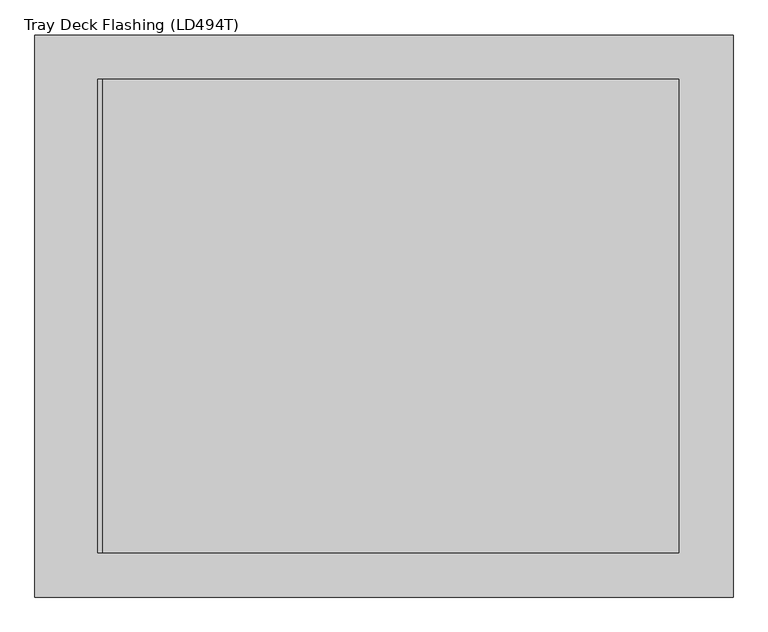
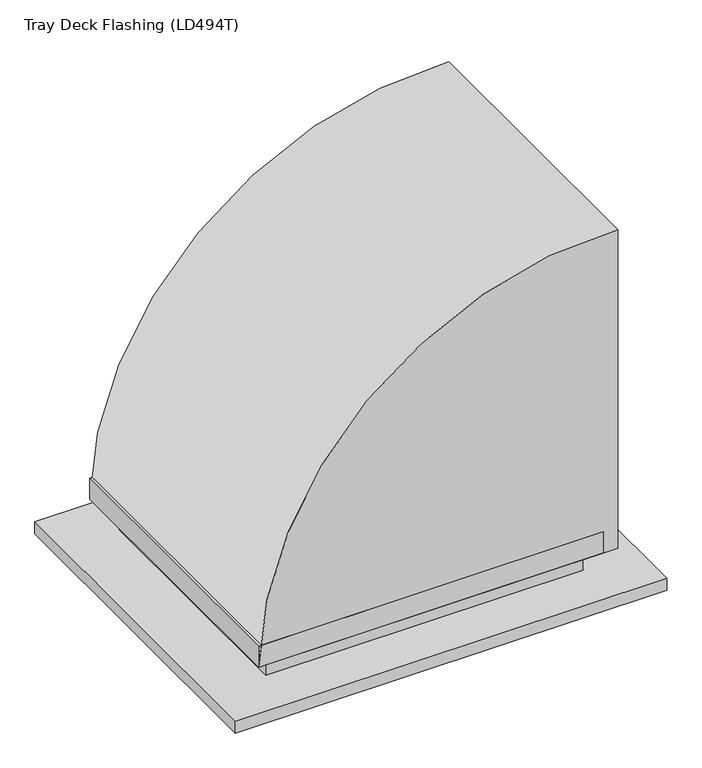
"""IFC4 building model written with IfcOpenShell, lengths in millimetres: proxy geometry, Tray Deck Flashing (LD494T)."""

from ifc_helpers import new_model, si_unit, point, frame, frame_2d, origin, place, context, project, spatial, polyline, circle_curve, trimmed, segment, composite_curve, outline, extrude, faceted_brep, source, transform, mapped, element, save


def tray_deck_flashing_ld494t_aefaeff5(model_context):
    return source(origin(), model_context, "Body", "SolidModel", [
        faceted_brep([(66.0, -362.5, 146.0), (66.0, -362.5, 86.0), (66.0, -1237.5, 86.0), (66.0, -1237.5, 146.0), (91.0, -337.5, 86.0), (91.0, -337.5, 156.0), (91.0, -1262.5, 156.0), (91.0, -1262.5, 86.0), (-974.0, -1237.5, 86.0), (-974.0, -1237.5, 146.0), (-999.0, -1262.5, 156.0), (-999.0, -1262.5, 86.0), (-974.0, -362.5, 86.0), (-974.0, -362.5, 146.0), (-999.0, -337.5, 156.0), (-999.0, -337.5, 86.0)], [[[0, 1, 2, 3]], [[4, 5, 6, 7]], [[3, 2, 8, 9]], [[7, 6, 10, 11]], [[9, 8, 12, 13]], [[11, 10, 14, 15]], [[4, 7, 11, 15], [2, 1, 12, 8]], [[1, 0, 13, 12]], [[0, 3, 9, 13]], [[6, 5, 14, 10]], [[5, 4, 15, 14]]]),
        faceted_brep([(-941.0, -399.0, 134.0), (-941.0, -399.0, 1.0), (-941.0, -1201.0, 1.0), (-941.0, -1201.0, 134.0), (-969.4999872, -370.5000128, 146.0), (-969.4999872, -370.5000128, 134.0), (-969.4999872, -1229.4999872, 134.0), (-969.4999872, -1229.4999872, 146.0), (-940.0, -400.0, 146.0), (-940.0, -1200.0, 146.0), (-940.0, -1200.0, 0.0), (-940.0, -400.0, 0.0), (61.0, -1201.0, 1.0), (61.0, -1201.0, 134.0), (61.0, -1229.4999872, 134.0), (61.0, -1229.4999872, 146.0), (60.0, -1200.0, 0.0), (32.0, -1200.0, 146.0), (32.0, -1200.0, 134.0), (60.0, -1200.0, 134.0), (61.0, -399.0, 134.0), (61.0, -399.0, 1.0), (61.0, -370.5000128, 134.0), (61.0, -370.5000128, 146.0), (32.0, -400.0, 146.0), (60.0, -400.0, 0.0), (60.0, -400.0, 134.0), (32.0, -400.0, 134.0), (242.0, -251.0, 1.0), (-1122.0, -251.0, 1.0), (-1122.0, -1349.0, 1.0), (242.0, -1349.0, 1.0), (241.0, -252.0, 0.0), (241.0, -1348.0, 0.0), (-1121.0, -1348.0, 0.0), (-1121.0, -252.0, 0.0), (242.0, -251.0, -39.0), (-1122.0, -251.0, -39.0), (-1122.0, -1349.0, -39.0), (242.0, -1349.0, -39.0), (241.0, -252.0, -39.0), (-1121.0, -252.0, -39.0), (-1121.0, -1348.0, -39.0), (241.0, -1348.0, -39.0)], [[[0, 1, 2, 3]], [[4, 5, 6, 7]], [[8, 9, 10, 11]], [[3, 2, 12, 13]], [[7, 6, 14, 15]], [[16, 10, 9, 17, 18, 19]], [[20, 21, 1, 0]], [[22, 20, 0, 3, 13, 14, 6, 5]], [[23, 22, 5, 4]], [[4, 7, 15, 23], [9, 8, 24, 17]], [[11, 25, 26, 27, 24, 8]], [[28, 29, 30, 31], [2, 1, 21, 12]], [[32, 33, 34, 35], [25, 11, 10, 16]], [[29, 28, 36, 37]], [[30, 29, 37, 38]], [[31, 30, 38, 39]], [[36, 28, 31, 39]], [[25, 16, 19, 26]], [[21, 20, 22, 23, 15, 14, 13, 12]], [[17, 24, 27, 18]], [[26, 19, 18, 27]], [[36, 39, 38, 37], [40, 41, 42, 43]], [[40, 43, 33, 32]], [[43, 42, 34, 33]], [[42, 41, 35, 34]], [[41, 40, 32, 35]]]),
        extrude(outline(composite_curve([segment(trimmed(circle_curve(frame_2d((61.9403009, 90.7344314)), 1090.0), [point((1151.0, 136.0))], [point((86.0, -999.0))], False, "CARTESIAN"), True, "CONTINUOUS"), segment(polyline([(86.0, -999.0), (86.0, 136.0), (1151.0, 136.0)]), True, "CONTINUOUS")], self_intersect=False)), frame((0.0, -1262.5, 0.0), z_axis=(0.0, 1.0, 0.0), x_axis=(0.0, 0.0, 1.0)), (0.0, 0.0, 1.0), 925.0),
    ])


if __name__ == "__main__":
    model = new_model("IFC4")
    model_context = context("Model", 3, world=origin())
    ifc_project = project(units=[si_unit("LENGTHUNIT", "METRE", prefix="MILLI")], contexts=[model_context])
    site = spatial("IfcSite", under=ifc_project)
    building = spatial("IfcBuilding", under=site)
    placement = place(None, origin())
    tray_deck_flashing_ld494t_shape = tray_deck_flashing_ld494t_aefaeff5(model_context)
    element("IfcBuildingElementProxy", 1, Name="Tray Deck Flashing (LD494T)", ObjectType="Tray Deck Flashing (LD494T)", at=placement, inside=building, context=model_context, shape_type="MappedRepresentation", body=[
        mapped(tray_deck_flashing_ld494t_shape, transform((0.0, 0.0, 0.0), x_axis=(1.0, 0.0, 0.0), y_axis=(0.0, 1.0, 0.0), z_axis=(0.0, 0.0, 1.0))),
    ])
    save(model, "model.ifc")
